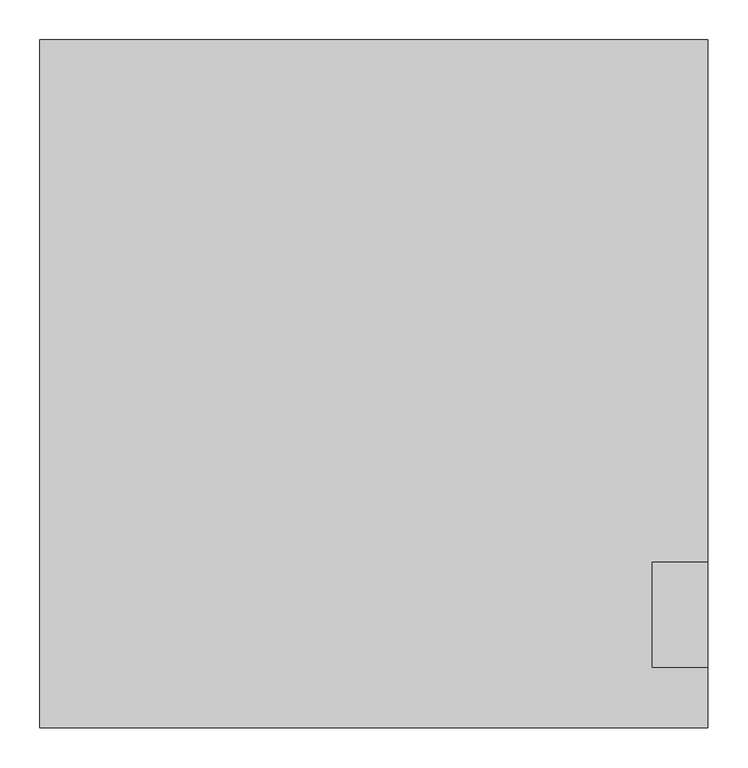
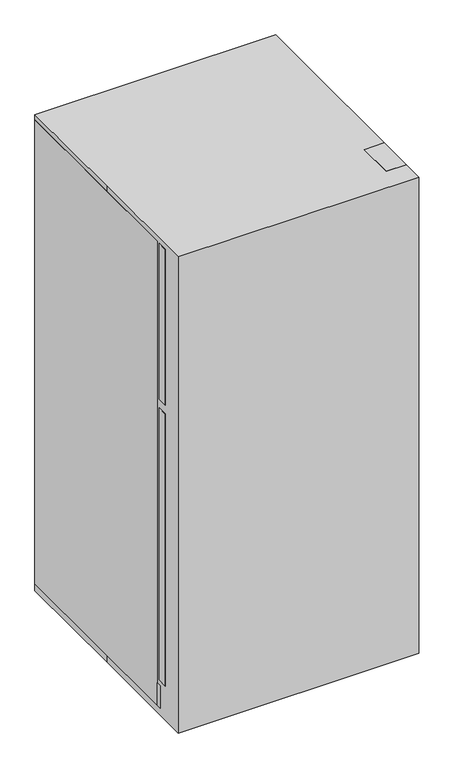
"""IFC4 building model written with IfcOpenShell, lengths in millimetres: proxy geometry."""

from ifc_helpers import new_model, si_unit, point, frame, frame_2d, origin, origin_with_axes, place, context, project, spatial, polyline, circle_curve, trimmed, segment, composite_curve, outline, extrude, source, transform, mapped, element, save


def specialty_equipment_d07a012d(model_context):
    return source(origin(), model_context, "Body", "SweptSolid", [
        extrude(outline(polyline([(-393.7, 1579.201835), (-355.6, 1579.201835), (-355.6, 1566.501835), (-381.0159299, 1566.501835), (-381.0159299, 1264.0824753), (-355.6, 1264.0824753), (-355.6, 1251.3984053), (-393.7, 1251.3984053), (-393.7, 1579.201835)])), frame((-317.5, 0.0, 0.0), z_axis=(1.0, 0.0, 0.0), x_axis=(0.0, 1.0, 0.0)), (0.0, 0.0, 1.0), 38.1),
        extrude(outline(polyline([(419.1, -355.6), (349.25, -355.6), (349.25, -304.8), (419.1, -304.8), (419.1, -355.6)])), frame((0.0, 0.0, 107.8907444), z_axis=(0.0, 0.0, 1.0), x_axis=(1.0, 0.0, 0.0)), (0.0, 0.0, 1.0), 19.05),
        extrude(outline(polyline([(419.1, -355.6), (349.25, -355.6), (349.25, -304.8), (419.1, -304.8), (419.1, -355.6)])), frame((0.0, 0.0, 1128.0712467), z_axis=(0.0, 0.0, 1.0), x_axis=(1.0, 0.0, 0.0)), (0.0, 0.0, 1.0), 31.75),
        extrude(outline(polyline([(-393.7, 669.4098092), (-393.7, 1060.8984053), (-355.6, 1060.8984053), (-355.6, 1048.2143352), (-381.0159299, 1048.2143352), (-381.0159299, 682.1098092), (-355.6, 682.1098092), (-355.6, 669.4098092), (-393.7, 669.4098092)])), frame((-317.5, 0.0, 0.0), z_axis=(1.0, 0.0, 0.0), x_axis=(0.0, 1.0, 0.0)), (0.0, 0.0, 1.0), 38.1),
        extrude(outline(polyline([(419.1, -304.8), (419.1, -323.85), (-419.1, -323.85), (-419.1, -304.8), (419.1, -304.8)])), frame((0.0, 0.0, 25.4), z_axis=(0.0, 0.0, 1.0), x_axis=(1.0, 0.0, 0.0)), (0.0, 0.0, 1.0), 82.55),
        extrude(outline(polyline([(419.1, -355.6), (349.25, -355.6), (349.25, -224.1315495), (419.1, -224.1315495), (419.1, -355.6)])), frame((0.0, 0.0, 1733.55), z_axis=(0.0, 0.0, 1.0), x_axis=(1.0, 0.0, 0.0)), (0.0, 0.0, 1.0), 19.05),
        extrude(outline(polyline([(406.4, -317.5), (-406.4, -317.5), (-406.4, -304.8), (406.4, -304.8), (406.4, -317.5)])), frame((0.0, 0.0, 1181.4698479), z_axis=(0.0, 0.0, 1.0), x_axis=(1.0, 0.0, 0.0)), (0.0, 0.0, 1.0), 520.3301521),
        extrude(outline(polyline([(419.1, -355.6), (-419.1, -355.6), (-419.1, -317.5), (419.1, -317.5), (419.1, -355.6)])), frame((0.0, 0.0, 1159.8212467), z_axis=(0.0, 0.0, 1.0), x_axis=(1.0, 0.0, 0.0)), (0.0, 0.0, 1.0), 573.7287533),
        extrude(outline(polyline([(406.4, -317.5), (-406.4, -317.5), (-406.4, -304.8), (406.4, -304.8), (406.4, -317.5)])), frame((0.0, 0.0, 168.7477386), z_axis=(0.0, 0.0, 1.0), x_axis=(1.0, 0.0, 0.0)), (0.0, 0.0, 1.0), 933.923508),
        extrude(outline(polyline([(419.1, -355.6), (-419.1, -355.6), (-419.1, -317.5), (419.1, -317.5), (419.1, -355.6)])), frame((0.0, 0.0, 126.9407444), z_axis=(0.0, 0.0, 1.0), x_axis=(1.0, 0.0, 0.0)), (0.0, 0.0, 1.0), 1001.1305023),
        extrude(outline(polyline([(419.1, 431.8), (419.1, -304.8), (-419.1, -304.8), (-419.1, 431.8), (419.1, 431.8)])), frame((0.0, 0.0, 25.4), z_axis=(0.0, 0.0, 1.0), x_axis=(1.0, 0.0, 0.0)), (0.0, 0.0, 1.0), 1708.15),
        extrude(outline(composite_curve([segment(trimmed(circle_curve(frame_2d((-345.9775617, -237.0320241)), 31.75), [point((-314.2275617, -237.0320241))], [point((-377.7275617, -237.0320241))], False, "CARTESIAN"), True, "CONTINUOUS"), segment(trimmed(circle_curve(frame_2d((-345.9775617, -237.0320241)), 31.75), [point((-377.7275617, -237.0320241))], [point((-314.2275617, -237.0320241))], False, "CARTESIAN"), True, "CONTINUOUS")], self_intersect=False)), origin_with_axes(), (0.0, 0.0, 1.0), 25.4),
        extrude(outline(composite_curve([segment(trimmed(circle_curve(frame_2d((345.9775617, -237.0320241)), 31.75), [point((314.2275617, -237.0320241))], [point((377.7275617, -237.0320241))], False, "CARTESIAN"), True, "CONTINUOUS"), segment(trimmed(circle_curve(frame_2d((345.9775617, -237.0320241)), 31.75), [point((377.7275617, -237.0320241))], [point((314.2275617, -237.0320241))], False, "CARTESIAN"), True, "CONTINUOUS")], self_intersect=False)), origin_with_axes(), (0.0, 0.0, 1.0), 25.4),
        extrude(outline(composite_curve([segment(trimmed(circle_curve(frame_2d((-345.9775617, 366.2179759)), 31.75), [point((-314.2275617, 366.2179759))], [point((-377.7275617, 366.2179759))], False, "CARTESIAN"), True, "CONTINUOUS"), segment(trimmed(circle_curve(frame_2d((-345.9775617, 366.2179759)), 31.75), [point((-377.7275617, 366.2179759))], [point((-314.2275617, 366.2179759))], False, "CARTESIAN"), True, "CONTINUOUS")], self_intersect=False)), origin_with_axes(), (0.0, 0.0, 1.0), 25.4),
        extrude(outline(composite_curve([segment(trimmed(circle_curve(frame_2d((345.9775617, 366.2179759)), 31.75), [point((314.2275617, 366.2179759))], [point((377.7275617, 366.2179759))], False, "CARTESIAN"), True, "CONTINUOUS"), segment(trimmed(circle_curve(frame_2d((345.9775617, 366.2179759)), 31.75), [point((377.7275617, 366.2179759))], [point((314.2275617, 366.2179759))], False, "CARTESIAN"), True, "CONTINUOUS")], self_intersect=False)), origin_with_axes(), (0.0, 0.0, 1.0), 25.4),
        extrude(outline(polyline([(-419.1, 431.8), (419.1, 431.8), (419.1, -431.8), (-419.1, -431.8), (-419.1, 0.0), (-419.1, 431.8)])), origin_with_axes(), (0.0, 0.0, 1.0), 1752.6),
    ])


if __name__ == "__main__":
    model = new_model("IFC4")
    model_context = context("Model", 3, world=origin())
    ifc_project = project(units=[si_unit("LENGTHUNIT", "METRE", prefix="MILLI")], contexts=[model_context])
    site = spatial("IfcSite", under=ifc_project)
    building = spatial("IfcBuilding", under=site)
    placement = place(None, origin())
    specialty_equipment_shape = specialty_equipment_d07a012d(model_context)
    element("IfcBuildingElementProxy", 1, Name="Specialty Equipment", at=placement, inside=building, context=model_context, shape_type="MappedRepresentation", body=[
        mapped(specialty_equipment_shape, transform((0.0, 0.0, 0.0), x_axis=(1.0, 0.0, 0.0), y_axis=(0.0, 1.0, 0.0), z_axis=(0.0, 0.0, 1.0))),
    ])
    save(model, "model.ifc")
